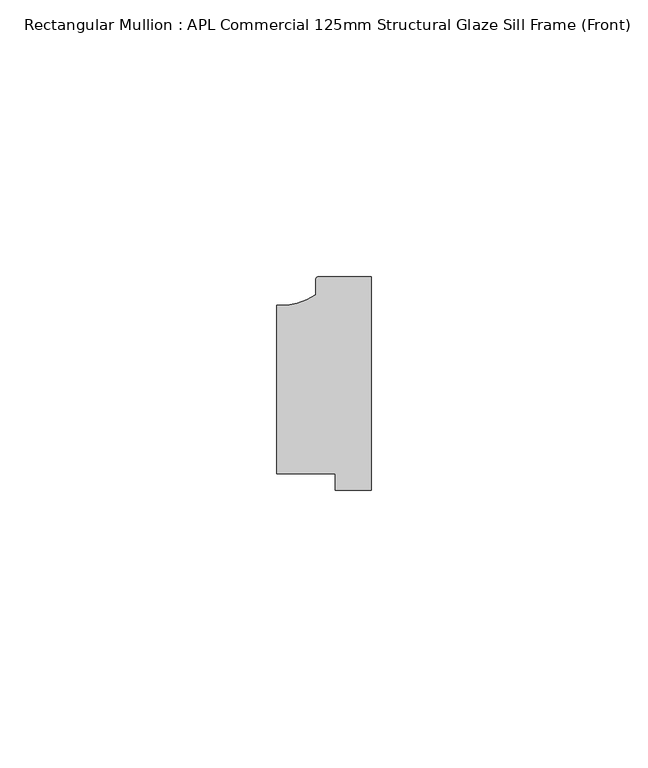
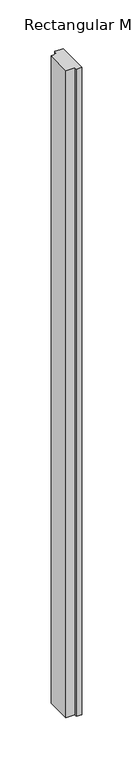
"""IFC4 building model written with IfcOpenShell, lengths in millimetres: member geometry, Rectangular Mullion : APL Commercial 125mm Structural Glaze Sill Frame (Front)."""

from ifc_helpers import new_model, si_unit, point, frame, frame_2d, origin, place, context, project, spatial, polyline, circle_curve, trimmed, segment, composite_curve, outline, extrude, source, transform, mapped, element, save


def rectangular_mullion_apl_commercial_125mm_structural_glaze_a480ece4(model_context):
    return source(origin(), model_context, "Body", "SweptSolid", [
        extrude(outline(composite_curve([segment(trimmed(circle_curve(frame_2d((-16.1098048, 25.7977481)), 10.4563907), [point((-16.999942, 15.3793144))], [point((-10.0, 17.3120901))], True, "CARTESIAN"), True, "CONTINUOUS"), segment(polyline([(-10.0, 17.3120901), (-10.0, 19.9980675)]), True, "CONTINUOUS"), segment(trimmed(circle_curve(frame_2d((-9.5000029, 19.99978)), 0.5), [point((-10.0, 19.9980675))], [point((-9.5000029, 20.49978))], False, "CARTESIAN"), True, "CONTINUOUS"), segment(polyline([(-9.5000029, 20.49978), (0.0, 20.49978), (0.0, -18.0281616), (-6.5000029, -18.0281616), (-6.5000029, -15.0004332), (-16.999942, -15.0004332), (-16.999942, 15.3793144)]), True, "CONTINUOUS")], self_intersect=False)), frame((0.0, 0.0, -811.086125), z_axis=(0.0, 0.0, 1.0), x_axis=(1.0, 0.0, 0.0)), (0.0, 0.0, 1.0), 811.086125),
    ])


if __name__ == "__main__":
    model = new_model("IFC4")
    model_context = context("Model", 3, world=origin())
    ifc_project = project(units=[si_unit("LENGTHUNIT", "METRE", prefix="MILLI")], contexts=[model_context])
    site = spatial("IfcSite", under=ifc_project)
    building = spatial("IfcBuilding", under=site)
    placement = place(None, origin())
    rectangular_mullion_apl_commercial_125mm_structural_glaze_shape = rectangular_mullion_apl_commercial_125mm_structural_glaze_a480ece4(model_context)
    element("IfcMember", 1, ObjectType="Rectangular Mullion : APL Commercial 125mm Structural Glaze Sill Frame (Front)", at=placement, inside=building, context=model_context, shape_type="MappedRepresentation", body=[
        mapped(rectangular_mullion_apl_commercial_125mm_structural_glaze_shape, transform((0.0, 0.0, 0.0), x_axis=(1.0, 0.0, 0.0), y_axis=(0.0, 1.0, 0.0), z_axis=(0.0, 0.0, 1.0))),
    ])
    save(model, "model.ifc")
